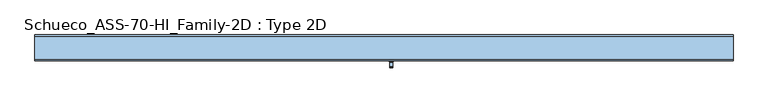
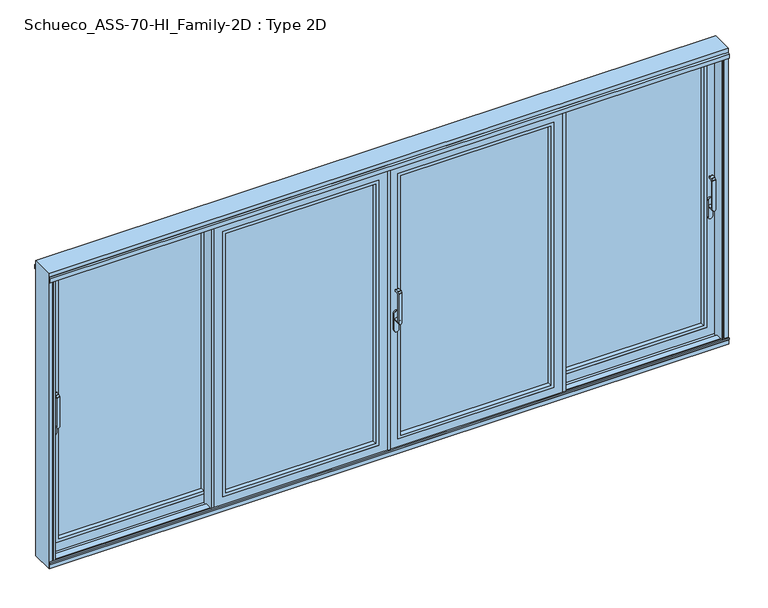
"""IFC4 building model written with IfcOpenShell, lengths in millimetres: window geometry, Schueco_ASS-70-HI_Family-2D : Type 2D."""

from ifc_helpers import new_model, si_unit, point, frame, frame_2d, origin, place, context, project, spatial, polyline, circle_curve, trimmed, segment, composite_curve, outline, extrude, faceted_brep, source, transform, mapped, element, save
from ifc_brep_helpers import plane_surface, cylinder_surface, revolved_surface, advanced_brep


def schueco_ass_70_hi_family_2d_type_2d_ecbfd956(model_context):
    return source(origin(), model_context, "Body", "SolidModel", [
        advanced_brep(
        [(-2414.9498734, 18.0325359, 1004.005052), (-2390.9498734, 18.0325359, 1004.005052), (-2390.9498734, 18.0325359, 1229.2360009), (-2414.9498734, 18.0325359, 1229.2360009), (-2414.9498734, 66.0325359, 1004.005052), (-2390.9498734, 66.0325359, 1004.005052), (-2414.9498734, 30.0325359, 1004.005052), (-2390.9498734, 30.0325359, 1004.005052), (-2390.9498734, 30.0325359, 1219.6494011), (-2390.9498734, 37.3831959, 1227.000061), (-2390.9498734, 58.0325359, 1227.000061), (-2390.9498734, 60.0325359, 1229.000061), (-2390.9498734, 60.0325359, 1240.000061), (-2390.9498734, 58.0325359, 1242.000061), (-2390.9498734, 30.796596, 1242.000061), (-2390.9498734, 29.3823825, 1241.4142746), (-2390.9498734, 18.6183224, 1230.6502145), (-2414.9498734, 18.6183224, 1230.6502145), (-2414.9498734, 29.3823825, 1241.4142746), (-2414.9498734, 30.796596, 1242.000061), (-2414.9498734, 58.0325359, 1242.000061), (-2414.9498734, 60.0325359, 1240.000061), (-2414.9498734, 60.0325359, 1229.000061), (-2414.9498734, 58.0325359, 1227.000061), (-2414.9498734, 37.3831959, 1227.000061), (-2414.9498734, 30.0325359, 1219.6494011)],
        [
            (0, 1, circle_curve(frame((-2402.9498734, 18.0325359, 1004.005052), z_axis=(0.0, -1.0, 0.0), x_axis=(1.0, 0.0, 0.0)), 12.0)),
            (1, 2),
            (2, 3),
            (3, 0),
            (4, 5, circle_curve(frame((-2402.9498734, 66.0325359, 1004.005052), z_axis=(0.0, 1.0, 0.0), x_axis=(1.0, 0.0, 0.0)), 12.0)),
            (5, 4, circle_curve(frame((-2402.9498734, 66.0325359, 1004.005052), z_axis=(0.0, 1.0, 0.0), x_axis=(1.0, 0.0, 0.0)), 12.0)),
            (0, 6),
            (6, 4),
            (5, 7),
            (7, 1),
            (6, 7, circle_curve(frame((-2402.9498734, 30.0325359, 1004.005052), z_axis=(0.0, 1.0, 0.0), x_axis=(1.0, 0.0, 0.0)), 12.0)),
            (7, 8),
            (8, 9, circle_curve(frame((-2390.9498734, 37.3831959, 1219.6494011), z_axis=(-1.0, 0.0, 0.0), x_axis=(0.0, 0.0, -1.0)), 7.35066)),
            (9, 10),
            (10, 11, circle_curve(frame((-2390.9498734, 58.0325359, 1229.000061), z_axis=(1.0, 0.0, 0.0), x_axis=(0.0, 0.0, -1.0)), 2.0)),
            (11, 12),
            (12, 13, circle_curve(frame((-2390.9498734, 58.0325359, 1240.000061), z_axis=(1.0, 0.0, 0.0), x_axis=(0.0, 0.0, -1.0)), 2.0)),
            (13, 14),
            (14, 15, circle_curve(frame((-2390.9498734, 30.796596, 1240.000061), z_axis=(1.0, 0.0, 0.0), x_axis=(0.0, 0.0, -1.0)), 2.0)),
            (15, 16),
            (16, 2, circle_curve(frame((-2390.9498734, 20.0325359, 1229.2360009), z_axis=(1.0, 0.0, 0.0), x_axis=(0.0, 0.0, -1.0)), 2.0)),
            (3, 17, circle_curve(frame((-2414.9498734, 20.0325359, 1229.2360009), z_axis=(-1.0, 0.0, 0.0), x_axis=(0.0, 0.0, -1.0)), 2.0)),
            (17, 18),
            (18, 19, circle_curve(frame((-2414.9498734, 30.796596, 1240.000061), z_axis=(-1.0, 0.0, 0.0), x_axis=(0.0, 0.0, -1.0)), 2.0)),
            (19, 20),
            (20, 21, circle_curve(frame((-2414.9498734, 58.0325359, 1240.000061), z_axis=(-1.0, 0.0, 0.0), x_axis=(0.0, 0.0, -1.0)), 2.0)),
            (21, 22),
            (22, 23, circle_curve(frame((-2414.9498734, 58.0325359, 1229.000061), z_axis=(-1.0, 0.0, 0.0), x_axis=(0.0, 0.0, -1.0)), 2.0)),
            (23, 24),
            (24, 25, circle_curve(frame((-2414.9498734, 37.3831959, 1219.6494011), z_axis=(1.0, 0.0, 0.0), x_axis=(0.0, 0.0, -1.0)), 7.35066)),
            (25, 6),
            (25, 8),
            (24, 9),
            (23, 10),
            (22, 11),
            (21, 12),
            (20, 13),
            (19, 14),
            (18, 15),
            (17, 16),
        ],
        [
            plane_surface(frame((-2390.9498734, 18.0325359, 1004.005052), z_axis=(0.0, -1.0, 0.0), x_axis=(0.0, 0.0, 1.0))),
            plane_surface(frame((-2390.9498734, 66.0325359, 1004.005052), z_axis=(0.0, 1.0, 0.0), x_axis=(0.0, 0.0, -1.0))),
            cylinder_surface(frame((-2402.9498734, 66.0325359, 1004.005052), z_axis=(0.0, -1.0, 0.0), x_axis=(1.0, 0.0, 0.0)), 12.0),
            plane_surface(frame((-2390.9498734, 18.0325359, 1009.7503433), z_axis=(1.0, 0.0, 0.0), x_axis=(0.0, 0.0, -1.0))),
            plane_surface(frame((-2414.9498734, 18.0325359, 1009.7503433), z_axis=(-1.0, 0.0, 0.0), x_axis=(0.0, 0.0, 1.0))),
            plane_surface(frame((-2390.9498734, 30.0325359, 1004.0), z_axis=(0.0, 1.0, 0.0), x_axis=(-1.0, 0.0, 0.0))),
            revolved_surface(polyline([(-2414.9498734, 37.3831959, 1212.2987411), (-2390.9498734, 37.3831959, 1212.2987411)]), (-2414.9498734, 37.3831959, 1219.6494011), (-1.0, 0.0, 0.0)),
            plane_surface(frame((-2390.9498734, 37.3831959, 1227.000061), z_axis=(0.0, 0.0, -1.0), x_axis=(-1.0, 0.0, 0.0))),
            cylinder_surface(frame((-2414.9498734, 58.0325359, 1229.000061), z_axis=(1.0, 0.0, 0.0), x_axis=(0.0, 0.0, -1.0)), 2.0),
            plane_surface(frame((-2390.9498734, 60.0325359, 1229.000061), z_axis=(0.0, 1.0, 0.0), x_axis=(-1.0, 0.0, 0.0))),
            cylinder_surface(frame((-2414.9498734, 58.0325359, 1240.000061), z_axis=(1.0, 0.0, 0.0), x_axis=(0.0, 0.0, -1.0)), 2.0),
            plane_surface(frame((-2390.9498734, 58.0325359, 1242.000061), z_axis=(0.0, 0.0, 1.0), x_axis=(-1.0, 0.0, 0.0))),
            cylinder_surface(frame((-2414.9498734, 30.796596, 1240.000061), z_axis=(1.0, 0.0, 0.0), x_axis=(0.0, 0.0, -1.0)), 2.0),
            plane_surface(frame((-2390.9498734, 29.3823825, 1241.4142746), z_axis=(0.0, -0.7071067811865422, 0.7071067811865528), x_axis=(-1.0, 0.0, 0.0))),
            cylinder_surface(frame((-2414.9498734, 20.0325359, 1229.2360009), z_axis=(1.0, 0.0, 0.0), x_axis=(0.0, 0.0, -1.0)), 2.0),
        ],
        [
            (0, [[1, 2, 3, 4]]),
            (1, [[5, 6]]),
            (2, [[-1, 7, 8, -6, 9, 10]]),
            (2, [[-5, -8, 11, -9]]),
            (3, [[-2, -10, 12, 13, 14, 15, 16, 17, 18, 19, 20, 21]]),
            (4, [[22, 23, 24, 25, 26, 27, 28, 29, 30, 31, -7, -4]]),
            (5, [[-12, -11, -31, 32]]),
            (6, [[-13, -32, -30, 33]]),
            (7, [[-14, -33, -29, 34]]),
            (8, [[-15, -34, -28, 35]]),
            (9, [[-16, -35, -27, 36]]),
            (10, [[-17, -36, -26, 37]]),
            (11, [[-18, -37, -25, 38]]),
            (12, [[-19, -38, -24, 39]]),
            (13, [[-20, -39, -23, 40]]),
            (14, [[-21, -40, -22, -3]]),
        ],
    ),
        extrude(outline(composite_curve([segment(trimmed(circle_curve(frame_2d((922.2823932, -2402.9498734)), 16.75), [point((922.2823932, -2419.6998734))], [point((922.2823932, -2386.1998734))], False, "CARTESIAN"), True, "CONTINUOUS"), segment(polyline([(922.2823932, -2386.1998734), (1049.0099288, -2386.1998734)]), True, "CONTINUOUS"), segment(trimmed(circle_curve(frame_2d((1049.0099288, -2402.9498734)), 16.75), [point((1049.0099288, -2386.1998734))], [point((1049.0099288, -2419.6998734))], False, "CARTESIAN"), True, "CONTINUOUS"), segment(polyline([(1049.0099288, -2419.6998734), (922.2823932, -2419.6998734)]), True, "CONTINUOUS")], self_intersect=False)), frame((0.0, 66.0325359, 0.0), z_axis=(0.0, 1.0, 0.0), x_axis=(0.0, 0.0, 1.0)), (0.0, 0.0, 1.0), 13.9999695),
        extrude(outline(polyline([(-1210.9983764, 144.5000663), (-1210.9983764, 150.0000331), (-1190.9984069, 150.0000331), (-1190.9984069, 65.7878516), (-1245.0, 65.7878516), (-1245.0, 80.0102415), (-1194.798472, 80.0102415), (-1194.798472, 144.5000663), (-1210.9983764, 144.5000663)])), frame((0.0, 0.0, -6.9999052), z_axis=(0.0, 0.0, 1.0), x_axis=(1.0, 0.0, 0.0)), (0.0, 0.0, 1.0), 2187.9998104),
        extrude(outline(polyline([(2114.8998417, -2384.8998417), (59.1001583, -2384.8998417), (59.1001583, -1277.1001583), (2114.8998417, -1277.1001583), (2114.8998417, -2384.8998417)]), holes=[polyline([(2092.899857, -1299.100143), (81.100143, -1299.100143), (81.100143, -2362.899857), (2092.899857, -2362.899857), (2092.899857, -1299.100143)])]), frame((0.0, 80.0102083, 0.0), z_axis=(0.0, 1.0, 0.0), x_axis=(0.0, 0.0, 1.0)), (0.0, 0.0, 1.0), 35.0222836),
        extrude(outline(polyline([(-1285.0984318, 115.0324919), (-2376.9015682, 115.0324919), (-2376.9015682, 141.0223361), (-1285.0984318, 141.0223361), (-1285.0984318, 115.0324919)])), frame((0.0, 0.0, 67.0984318), z_axis=(0.0, 0.0, 1.0), x_axis=(1.0, 0.0, 0.0)), (0.0, 0.0, 1.0), 2039.8031365),
        faceted_brep([(-2451.0016236, 144.5000331, 2181.0016236), (-2451.0016236, 150.0, 2181.0016236), (-2451.0016236, 150.0, -7.0016236), (-2451.0016236, 144.5000331, -7.0016236), (-1210.9983764, 150.0, 2181.0016236), (-1210.9983764, 150.0, -7.0016236), (-2363.0016236, 150.0, 2093.0016236), (-2363.0016236, 150.0, 80.9983764), (-1298.9983764, 150.0, 80.9983764), (-1298.9983764, 150.0, 2093.0016236), (-1210.9983764, 144.5000331, -7.0016236), (-1210.9983764, 144.5000331, 2181.0016236), (-1241.0000948, 144.5000331, 2150.9999052), (-1241.0000948, 144.5000331, 23.0000948), (-2420.9999052, 144.5000331, 23.0000948), (-2420.9999052, 144.5000331, 2150.9999052), (-2420.9999052, 85.5102083, 2150.9999052), (-2420.9999052, 85.5102083, 23.0000948), (-1241.0000948, 85.5102083, 23.0000948), (-1211.0000948, 85.5102083, 2180.9999052), (-1211.0000948, 85.5102083, -6.9999052), (-2450.9999052, 85.5102083, -6.9999052), (-2450.9999052, 85.5102083, 2180.9999052), (-1241.0000948, 85.5102083, 2150.9999052), (-2450.9999052, 80.0102083, 2180.9999052), (-2450.9999052, 80.0102083, -6.9999052), (-1211.0000948, 80.0102083, -6.9999052), (-1211.0000948, 80.0102083, 2180.9999052), (-1277.1001583, 80.0102083, 2114.8998417), (-1277.1001583, 80.0102083, 59.1001583), (-2384.8998417, 80.0102083, 59.1001583), (-2384.8998417, 80.0102083, 2114.8998417), (-2376.9015682, 141.0223361, 2106.9015682), (-2376.9015682, 115.0223361, 2106.9015682), (-2376.9015682, 115.0223361, 67.0984318), (-2376.9015682, 141.0223361, 67.0984318), (-2384.8998417, 115.0223361, 2114.8998417), (-2384.8998417, 115.0223361, 59.1001583), (-1277.1001583, 115.0223361, 59.1001583), (-1277.1001583, 115.0223361, 2114.8998417), (-1285.0984318, 115.0223361, 2106.9015682), (-1285.0984318, 115.0223361, 67.0984318), (-1285.0984318, 141.0223361, 67.0984318), (-1285.0984318, 141.0223361, 2106.9015682), (-1298.9983764, 141.0223361, 2093.0016236), (-1298.9983764, 141.0223361, 80.9983764), (-2363.0016236, 141.0223361, 80.9983764), (-2363.0016236, 141.0223361, 2093.0016236)], [[[0, 1, 2, 3]], [[4, 5, 2, 1], [6, 7, 8, 9]], [[3, 2, 5, 10]], [[0, 3, 10, 11], [12, 13, 14, 15]], [[16, 15, 14, 17]], [[17, 14, 13, 18]], [[19, 20, 21, 22], [16, 17, 18, 23]], [[24, 22, 21, 25]], [[25, 21, 20, 26]], [[24, 25, 26, 27], [28, 29, 30, 31]], [[32, 33, 34, 35]], [[36, 37, 38, 39], [40, 41, 34, 33]], [[35, 34, 41, 42]], [[32, 35, 42, 43], [44, 45, 46, 47]], [[6, 47, 46, 7]], [[7, 46, 45, 8]], [[10, 5, 4, 11]], [[18, 13, 12, 23]], [[26, 20, 19, 27]], [[42, 41, 40, 43]], [[8, 45, 44, 9]], [[38, 29, 28, 39]], [[37, 30, 29, 38]], [[36, 31, 30, 37]], [[11, 4, 1, 0]], [[23, 12, 15, 16]], [[27, 19, 22, 24]], [[43, 40, 33, 32]], [[9, 44, 47, 6]], [[39, 28, 31, 36]]]),
        advanced_brep(
        [(2414.9498734, 18.0325359, 1004.0), (2414.9498734, 18.0325359, 1229.2360009), (2390.9498734, 18.0325359, 1229.2360009), (2390.9498734, 18.0325359, 1004.0), (2414.9498734, 66.0325359, 1004.005052), (2390.9498734, 66.0325359, 1004.005052), (2390.9498734, 30.0325359, 1004.005052), (2414.9498734, 30.0325359, 1004.005052), (2390.9498734, 18.6183224, 1230.6502145), (2390.9498734, 29.3823825, 1241.4142746), (2390.9498734, 30.796596, 1242.000061), (2390.9498734, 58.0325359, 1242.000061), (2390.9498734, 60.0325359, 1240.000061), (2390.9498734, 60.0325359, 1229.000061), (2390.9498734, 58.0325359, 1227.000061), (2390.9498734, 37.3831959, 1227.000061), (2390.9498734, 30.0325359, 1219.6494011), (2414.9498734, 30.0325359, 1219.6494011), (2414.9498734, 37.3831959, 1227.000061), (2414.9498734, 58.0325359, 1227.000061), (2414.9498734, 60.0325359, 1229.000061), (2414.9498734, 60.0325359, 1240.000061), (2414.9498734, 58.0325359, 1242.000061), (2414.9498734, 30.796596, 1242.000061), (2414.9498734, 29.3823825, 1241.4142746), (2414.9498734, 18.6183224, 1230.6502145)],
        [
            (0, 1),
            (1, 2),
            (2, 3),
            (3, 0, circle_curve(frame((2402.9498734, 18.0325359, 1004.005052), z_axis=(0.0, -1.0, 0.0), x_axis=(-1.0, 0.0, 0.0)), 12.0)),
            (4, 5, circle_curve(frame((2402.9498734, 66.0325359, 1004.005052), z_axis=(0.0, 1.0, 0.0), x_axis=(-1.0, 0.0, 0.0)), 12.0)),
            (5, 4, circle_curve(frame((2402.9498734, 66.0325359, 1004.005052), z_axis=(0.0, 1.0, 0.0), x_axis=(-1.0, 0.0, 0.0)), 12.0)),
            (3, 6),
            (6, 5),
            (4, 7),
            (7, 0),
            (6, 7, circle_curve(frame((2402.9498734, 30.0325359, 1004.005052), z_axis=(0.0, 1.0, 0.0), x_axis=(-1.0, 0.0, 0.0)), 12.0)),
            (2, 8, circle_curve(frame((2390.9498734, 20.0325359, 1229.2360009), z_axis=(-1.0, 0.0, 0.0), x_axis=(0.0, 0.0, -1.0)), 2.0)),
            (8, 9),
            (9, 10, circle_curve(frame((2390.9498734, 30.796596, 1240.000061), z_axis=(-1.0, 0.0, 0.0), x_axis=(0.0, 0.0, -1.0)), 2.0)),
            (10, 11),
            (11, 12, circle_curve(frame((2390.9498734, 58.0325359, 1240.000061), z_axis=(-1.0, 0.0, 0.0), x_axis=(0.0, 0.0, -1.0)), 2.0)),
            (12, 13),
            (13, 14, circle_curve(frame((2390.9498734, 58.0325359, 1229.000061), z_axis=(-1.0, 0.0, 0.0), x_axis=(0.0, 0.0, -1.0)), 2.0)),
            (14, 15),
            (15, 16, circle_curve(frame((2390.9498734, 37.3831959, 1219.6494011), z_axis=(1.0, 0.0, 0.0), x_axis=(0.0, 0.0, -1.0)), 7.35066)),
            (16, 6),
            (7, 17),
            (17, 18, circle_curve(frame((2414.9498734, 37.3831959, 1219.6494011), z_axis=(-1.0, 0.0, 0.0), x_axis=(0.0, 0.0, -1.0)), 7.35066)),
            (18, 19),
            (19, 20, circle_curve(frame((2414.9498734, 58.0325359, 1229.000061), z_axis=(1.0, 0.0, 0.0), x_axis=(0.0, 0.0, -1.0)), 2.0)),
            (20, 21),
            (21, 22, circle_curve(frame((2414.9498734, 58.0325359, 1240.000061), z_axis=(1.0, 0.0, 0.0), x_axis=(0.0, 0.0, -1.0)), 2.0)),
            (22, 23),
            (23, 24, circle_curve(frame((2414.9498734, 30.796596, 1240.000061), z_axis=(1.0, 0.0, 0.0), x_axis=(0.0, 0.0, -1.0)), 2.0)),
            (24, 25),
            (25, 1, circle_curve(frame((2414.9498734, 20.0325359, 1229.2360009), z_axis=(1.0, 0.0, 0.0), x_axis=(0.0, 0.0, -1.0)), 2.0)),
            (16, 17),
            (15, 18),
            (14, 19),
            (13, 20),
            (12, 21),
            (11, 22),
            (10, 23),
            (9, 24),
            (8, 25),
        ],
        [
            plane_surface(frame((2390.9498734, 18.0325359, 1004.005052), z_axis=(0.0, -1.0, 0.0), x_axis=(0.0, 0.0, 1.0))),
            plane_surface(frame((2390.9498734, 66.0325359, 1004.005052), z_axis=(0.0, 1.0, 0.0), x_axis=(0.0, 0.0, -1.0))),
            cylinder_surface(frame((2402.9498734, 66.0325359, 1004.005052), z_axis=(0.0, -1.0, 0.0), x_axis=(-1.0, 0.0, 0.0)), 12.0),
            plane_surface(frame((2390.9498734, 18.0325359, 1009.7503433), z_axis=(-1.0, 0.0, 0.0), x_axis=(0.0, 0.0, -1.0))),
            plane_surface(frame((2414.9498734, 18.0325359, 1009.7503433), z_axis=(1.0, 0.0, 0.0), x_axis=(0.0, 0.0, 1.0))),
            plane_surface(frame((2390.9498734, 30.0325359, 1004.0), z_axis=(0.0, 1.0, 0.0), x_axis=(1.0, 0.0, 0.0))),
            revolved_surface(polyline([(2414.9498734, 37.3831959, 1212.2987411), (2390.9498734, 37.3831959, 1212.2987411)]), (2414.9498734, 37.3831959, 1219.6494011), (1.0, 0.0, 0.0)),
            plane_surface(frame((2390.9498734, 37.3831959, 1227.000061), z_axis=(0.0, 0.0, -1.0), x_axis=(1.0, 0.0, 0.0))),
            cylinder_surface(frame((2414.9498734, 58.0325359, 1229.000061), z_axis=(-1.0, 0.0, 0.0), x_axis=(0.0, 0.0, -1.0)), 2.0),
            plane_surface(frame((2390.9498734, 60.0325359, 1229.000061), z_axis=(0.0, 1.0, 0.0), x_axis=(1.0, 0.0, 0.0))),
            cylinder_surface(frame((2414.9498734, 58.0325359, 1240.000061), z_axis=(-1.0, 0.0, 0.0), x_axis=(0.0, 0.0, -1.0)), 2.0),
            plane_surface(frame((2390.9498734, 58.0325359, 1242.000061), z_axis=(0.0, 0.0, 1.0), x_axis=(1.0, 0.0, 0.0))),
            cylinder_surface(frame((2414.9498734, 30.796596, 1240.000061), z_axis=(-1.0, 0.0, 0.0), x_axis=(0.0, 0.0, -1.0)), 2.0),
            plane_surface(frame((2390.9498734, 29.3823825, 1241.4142746), z_axis=(0.0, -0.7071067811865422, 0.7071067811865528), x_axis=(1.0, 0.0, 0.0))),
            cylinder_surface(frame((2414.9498734, 20.0325359, 1229.2360009), z_axis=(-1.0, 0.0, 0.0), x_axis=(0.0, 0.0, -1.0)), 2.0),
        ],
        [
            (0, [[1, 2, 3, 4]]),
            (1, [[5, 6]]),
            (2, [[7, 8, -5, 9, 10, -4]]),
            (2, [[-8, 11, -9, -6]]),
            (3, [[12, 13, 14, 15, 16, 17, 18, 19, 20, 21, -7, -3]]),
            (4, [[-1, -10, 22, 23, 24, 25, 26, 27, 28, 29, 30, 31]]),
            (5, [[32, -22, -11, -21]]),
            (6, [[33, -23, -32, -20]]),
            (7, [[34, -24, -33, -19]]),
            (8, [[35, -25, -34, -18]]),
            (9, [[36, -26, -35, -17]]),
            (10, [[37, -27, -36, -16]]),
            (11, [[38, -28, -37, -15]]),
            (12, [[39, -29, -38, -14]]),
            (13, [[40, -30, -39, -13]]),
            (14, [[-2, -31, -40, -12]]),
        ],
    ),
        extrude(outline(composite_curve([segment(polyline([(922.2823932, 2419.6998734), (1049.0099288, 2419.6998734)]), True, "CONTINUOUS"), segment(trimmed(circle_curve(frame_2d((1049.0099288, 2402.9498734)), 16.75), [point((1049.0099288, 2419.6998734))], [point((1049.0099288, 2386.1998734))], False, "CARTESIAN"), True, "CONTINUOUS"), segment(polyline([(1049.0099288, 2386.1998734), (922.2823932, 2386.1998734)]), True, "CONTINUOUS"), segment(trimmed(circle_curve(frame_2d((922.2823932, 2402.9498734)), 16.75), [point((922.2823932, 2386.1998734))], [point((922.2823932, 2419.6998734))], False, "CARTESIAN"), True, "CONTINUOUS")], self_intersect=False)), frame((0.0, 66.0325359, 0.0), z_axis=(0.0, 1.0, 0.0), x_axis=(0.0, 0.0, 1.0)), (0.0, 0.0, 1.0), 13.9999695),
        extrude(outline(polyline([(1210.9983764, 144.5000663), (1194.798472, 144.5000663), (1194.798472, 80.0102415), (1245.0, 80.0102415), (1245.0, 65.7878516), (1190.9984069, 65.7878516), (1190.9984069, 150.0000331), (1210.9983764, 150.0000331), (1210.9983764, 144.5000663)])), frame((0.0, 0.0, -6.9999052), z_axis=(0.0, 0.0, 1.0), x_axis=(1.0, 0.0, 0.0)), (0.0, 0.0, 1.0), 2187.9998104),
        extrude(outline(polyline([(2114.8998417, 2384.8998417), (2114.8998417, 1277.1001583), (59.1001583, 1277.1001583), (59.1001583, 2384.8998417), (2114.8998417, 2384.8998417)]), holes=[polyline([(2092.899857, 1299.100143), (2092.899857, 2362.899857), (81.100143, 2362.899857), (81.100143, 1299.100143), (2092.899857, 1299.100143)])]), frame((0.0, 80.0102083, 0.0), z_axis=(0.0, 1.0, 0.0), x_axis=(0.0, 0.0, 1.0)), (0.0, 0.0, 1.0), 35.0222836),
        extrude(outline(polyline([(1285.0984318, 115.0324919), (1285.0984318, 141.0223361), (2376.9015682, 141.0223361), (2376.9015682, 115.0324919), (1285.0984318, 115.0324919)])), frame((0.0, 0.0, 67.0984318), z_axis=(0.0, 0.0, 1.0), x_axis=(1.0, 0.0, 0.0)), (0.0, 0.0, 1.0), 2039.8031365),
        faceted_brep([(2451.0016236, 144.5000331, 2181.0016236), (2451.0016236, 144.5000331, -7.0016236), (2451.0016236, 150.0, -7.0016236), (2451.0016236, 150.0, 2181.0016236), (1210.9983764, 150.0, 2181.0016236), (1210.9983764, 150.0, -7.0016236), (2363.0016236, 150.0, 2093.0016236), (1298.9983764, 150.0, 2093.0016236), (1298.9983764, 150.0, 80.9983764), (2363.0016236, 150.0, 80.9983764), (1210.9983764, 144.5000331, -7.0016236), (1210.9983764, 144.5000331, 2181.0016236), (1241.0000948, 144.5000331, 2150.9999052), (2420.9999052, 144.5000331, 2150.9999052), (2420.9999052, 144.5000331, 23.0000948), (1241.0000948, 144.5000331, 23.0000948), (2420.9999052, 85.5102083, 2150.9999052), (2420.9999052, 85.5102083, 23.0000948), (1241.0000948, 85.5102083, 23.0000948), (1211.0000948, 85.5102083, 2180.9999052), (2450.9999052, 85.5102083, 2180.9999052), (2450.9999052, 85.5102083, -6.9999052), (1211.0000948, 85.5102083, -6.9999052), (1241.0000948, 85.5102083, 2150.9999052), (2450.9999052, 80.0102083, 2180.9999052), (2450.9999052, 80.0102083, -6.9999052), (1211.0000948, 80.0102083, -6.9999052), (1211.0000948, 80.0102083, 2180.9999052), (1277.1001583, 80.0102083, 2114.8998417), (2384.8998417, 80.0102083, 2114.8998417), (2384.8998417, 80.0102083, 59.1001583), (1277.1001583, 80.0102083, 59.1001583), (2376.9015682, 141.0223361, 2106.9015682), (2376.9015682, 141.0223361, 67.0984318), (2376.9015682, 115.0223361, 67.0984318), (2376.9015682, 115.0223361, 2106.9015682), (2384.8998417, 115.0223361, 2114.8998417), (1277.1001583, 115.0223361, 2114.8998417), (1277.1001583, 115.0223361, 59.1001583), (2384.8998417, 115.0223361, 59.1001583), (1285.0984318, 115.0223361, 2106.9015682), (1285.0984318, 115.0223361, 67.0984318), (1285.0984318, 141.0223361, 67.0984318), (1285.0984318, 141.0223361, 2106.9015682), (1298.9983764, 141.0223361, 2093.0016236), (2363.0016236, 141.0223361, 2093.0016236), (2363.0016236, 141.0223361, 80.9983764), (1298.9983764, 141.0223361, 80.9983764)], [[[0, 1, 2, 3]], [[4, 3, 2, 5], [6, 7, 8, 9]], [[1, 10, 5, 2]], [[0, 11, 10, 1], [12, 13, 14, 15]], [[16, 17, 14, 13]], [[17, 18, 15, 14]], [[19, 20, 21, 22], [16, 23, 18, 17]], [[24, 25, 21, 20]], [[25, 26, 22, 21]], [[24, 27, 26, 25], [28, 29, 30, 31]], [[32, 33, 34, 35]], [[36, 37, 38, 39], [40, 35, 34, 41]], [[33, 42, 41, 34]], [[32, 43, 42, 33], [44, 45, 46, 47]], [[6, 9, 46, 45]], [[9, 8, 47, 46]], [[10, 11, 4, 5]], [[18, 23, 12, 15]], [[26, 27, 19, 22]], [[42, 43, 40, 41]], [[8, 7, 44, 47]], [[38, 37, 28, 31]], [[39, 38, 31, 30]], [[36, 39, 30, 29]], [[11, 0, 3, 4]], [[23, 16, 13, 12]], [[27, 24, 20, 19]], [[43, 32, 35, 40]], [[7, 6, 45, 44]], [[37, 36, 29, 28]]]),
        advanced_brep(
        [(64.0501266, -52.6493095, 1227.000061), (64.0501266, -59.9999695, 1219.6494011), (40.0501266, -59.9999695, 1219.6494011), (40.0501266, -52.6493095, 1227.000061), (64.0501266, -31.9999695, 1227.000061), (40.0501266, -31.9999695, 1227.000061), (64.0501266, -29.9999695, 1229.000061), (40.0501266, -29.9999695, 1229.000061), (64.0501266, -29.9999695, 1240.000061), (40.0501266, -29.9999695, 1240.000061), (40.0501266, -71.9999695, 1004.005052), (64.0501266, -71.9999695, 1004.005052), (64.0501266, -71.9999695, 1229.2360009), (40.0501266, -71.9999695, 1229.2360009), (40.0501266, -23.9999695, 1004.005052), (64.0501266, -23.9999695, 1004.005052), (40.0501266, -59.9999695, 1004.005052), (64.0501266, -59.9999695, 1004.005052), (64.0501266, -31.9999695, 1242.000061), (64.0501266, -59.2359094, 1242.000061), (64.0501266, -60.6501229, 1241.4142746), (64.0501266, -71.414183, 1230.6502145), (40.0501266, -71.414183, 1230.6502145), (40.0501266, -60.6501229, 1241.4142746), (40.0501266, -59.2359094, 1242.000061), (40.0501266, -31.9999695, 1242.000061)],
        [
            (0, 1, circle_curve(frame((64.0501266, -52.6493095, 1219.6494011), z_axis=(1.0, 0.0, 0.0), x_axis=(0.0, 0.0, -1.0)), 7.35066)),
            (1, 2),
            (2, 3, circle_curve(frame((40.0501266, -52.6493095, 1219.6494011), z_axis=(-1.0, 0.0, 0.0), x_axis=(0.0, 0.0, -1.0)), 7.35066)),
            (3, 0),
            (4, 0),
            (3, 5),
            (5, 4),
            (6, 4, circle_curve(frame((64.0501266, -31.9999695, 1229.000061), z_axis=(-1.0, 0.0, 0.0), x_axis=(0.0, 0.0, -1.0)), 2.0)),
            (5, 7, circle_curve(frame((40.0501266, -31.9999695, 1229.000061), z_axis=(1.0, 0.0, 0.0), x_axis=(0.0, 0.0, -1.0)), 2.0)),
            (7, 6),
            (8, 6),
            (7, 9),
            (9, 8),
            (10, 11, circle_curve(frame((52.0501266, -71.9999695, 1004.005052), z_axis=(0.0, -1.0, 0.0), x_axis=(1.0, 0.0, 0.0)), 12.0)),
            (11, 12),
            (12, 13),
            (13, 10),
            (14, 15, circle_curve(frame((52.0501266, -23.9999695, 1004.005052), z_axis=(0.0, 1.0, 0.0), x_axis=(1.0, 0.0, 0.0)), 12.0)),
            (15, 14, circle_curve(frame((52.0501266, -23.9999695, 1004.005052), z_axis=(0.0, 1.0, 0.0), x_axis=(1.0, 0.0, 0.0)), 12.0)),
            (10, 16),
            (16, 14),
            (15, 17),
            (17, 11),
            (16, 17, circle_curve(frame((52.0501266, -59.9999695, 1004.005052), z_axis=(0.0, 1.0, 0.0), x_axis=(1.0, 0.0, 0.0)), 12.0)),
            (17, 1),
            (8, 18, circle_curve(frame((64.0501266, -31.9999695, 1240.000061), z_axis=(1.0, 0.0, 0.0), x_axis=(0.0, 0.0, -1.0)), 2.0)),
            (18, 19),
            (19, 20, circle_curve(frame((64.0501266, -59.2359094, 1240.000061), z_axis=(1.0, 0.0, 0.0), x_axis=(0.0, 0.0, -1.0)), 2.0)),
            (20, 21),
            (21, 12, circle_curve(frame((64.0501266, -69.9999695, 1229.2360009), z_axis=(1.0, 0.0, 0.0), x_axis=(0.0, 0.0, -1.0)), 2.0)),
            (13, 22, circle_curve(frame((40.0501266, -69.9999695, 1229.2360009), z_axis=(-1.0, 0.0, 0.0), x_axis=(0.0, 0.0, -1.0)), 2.0)),
            (22, 23),
            (23, 24, circle_curve(frame((40.0501266, -59.2359094, 1240.000061), z_axis=(-1.0, 0.0, 0.0), x_axis=(0.0, 0.0, -1.0)), 2.0)),
            (24, 25),
            (25, 9, circle_curve(frame((40.0501266, -31.9999695, 1240.000061), z_axis=(-1.0, 0.0, 0.0), x_axis=(0.0, 0.0, -1.0)), 2.0)),
            (2, 16),
            (25, 18),
            (24, 19),
            (23, 20),
            (22, 21),
        ],
        [
            revolved_surface(polyline([(40.0501266, -52.6493095, 1212.2987411), (64.0501266, -52.6493095, 1212.2987411)]), (40.0501266, -52.6493095, 1219.6494011), (-1.0, 0.0, 0.0)),
            plane_surface(frame((64.0501266, -52.6493095, 1227.000061), z_axis=(0.0, 0.0, -1.0), x_axis=(-1.0, 0.0, 0.0))),
            cylinder_surface(frame((40.0501266, -31.9999695, 1229.000061), z_axis=(1.0, 0.0, 0.0), x_axis=(0.0, 0.0, -1.0)), 2.0),
            plane_surface(frame((64.0501266, -29.9999695, 1229.000061), z_axis=(0.0, 1.0, 0.0), x_axis=(-1.0, 0.0, 0.0))),
            plane_surface(frame((64.0501266, -71.9999695, 1004.005052), z_axis=(0.0, -1.0, 0.0), x_axis=(0.0, 0.0, 1.0))),
            plane_surface(frame((64.0501266, -23.9999695, 1004.005052), z_axis=(0.0, 1.0, 0.0), x_axis=(0.0, 0.0, -1.0))),
            cylinder_surface(frame((52.0501266, -23.9999695, 1004.005052), z_axis=(0.0, -1.0, 0.0), x_axis=(1.0, 0.0, 0.0)), 12.0),
            plane_surface(frame((64.0501266, -71.9999695, 1009.7503433), z_axis=(1.0, 0.0, 0.0), x_axis=(0.0, 0.0, -1.0))),
            plane_surface(frame((40.0501266, -71.9999695, 1009.7503433), z_axis=(-1.0, 0.0, 0.0), x_axis=(0.0, 0.0, 1.0))),
            plane_surface(frame((64.0501266, -59.9999695, 1004.0), z_axis=(0.0, 1.0, 0.0), x_axis=(-1.0, 0.0, 0.0))),
            cylinder_surface(frame((40.0501266, -31.9999695, 1240.000061), z_axis=(1.0, 0.0, 0.0), x_axis=(0.0, 0.0, -1.0)), 2.0),
            plane_surface(frame((64.0501266, -31.9999695, 1242.000061), z_axis=(0.0, 0.0, 1.0), x_axis=(-1.0, 0.0, 0.0))),
            cylinder_surface(frame((40.0501266, -59.2359094, 1240.000061), z_axis=(1.0, 0.0, 0.0), x_axis=(0.0, 0.0, -1.0)), 2.0),
            plane_surface(frame((64.0501266, -60.6501229, 1241.4142746), z_axis=(0.0, -0.7071067811865422, 0.7071067811865528), x_axis=(-1.0, 0.0, 0.0))),
            cylinder_surface(frame((40.0501266, -69.9999695, 1229.2360009), z_axis=(1.0, 0.0, 0.0), x_axis=(0.0, 0.0, -1.0)), 2.0),
        ],
        [
            (0, [[1, 2, 3, 4]]),
            (1, [[5, -4, 6, 7]]),
            (2, [[8, -7, 9, 10]]),
            (3, [[11, -10, 12, 13]]),
            (4, [[14, 15, 16, 17]]),
            (5, [[18, 19]]),
            (6, [[-14, 20, 21, -19, 22, 23]]),
            (6, [[-18, -21, 24, -22]]),
            (7, [[-15, -23, 25, -1, -5, -8, -11, 26, 27, 28, 29, 30]]),
            (8, [[31, 32, 33, 34, 35, -12, -9, -6, -3, 36, -20, -17]]),
            (9, [[-25, -24, -36, -2]]),
            (10, [[-26, -13, -35, 37]]),
            (11, [[-27, -37, -34, 38]]),
            (12, [[-28, -38, -33, 39]]),
            (13, [[-29, -39, -32, 40]]),
            (14, [[-30, -40, -31, -16]]),
        ],
    ),
        extrude(outline(composite_curve([segment(trimmed(circle_curve(frame_2d((922.2823932, 52.0501266)), 16.75), [point((922.2823932, 35.3001266))], [point((922.2823932, 68.8001266))], False, "CARTESIAN"), True, "CONTINUOUS"), segment(polyline([(922.2823932, 68.8001266), (1049.0099288, 68.8001266)]), True, "CONTINUOUS"), segment(trimmed(circle_curve(frame_2d((1049.0099288, 52.0501266)), 16.75), [point((1049.0099288, 68.8001266))], [point((1049.0099288, 35.3001266))], False, "CARTESIAN"), True, "CONTINUOUS"), segment(polyline([(1049.0099288, 35.3001266), (922.2823932, 35.3001266)]), True, "CONTINUOUS")], self_intersect=False)), frame((0.0, -23.9999695, 0.0), z_axis=(0.0, 1.0, 0.0), x_axis=(0.0, 0.0, 1.0)), (0.0, 0.0, 1.0), 13.9999695),
        extrude(outline(polyline([(2114.8998417, 70.1001583), (59.1001583, 70.1001583), (59.1001583, 1212.8998417), (2114.8998417, 1212.8998417), (2114.8998417, 70.1001583)]), holes=[polyline([(2092.899857, 1190.899857), (81.100143, 1190.899857), (81.100143, 92.100143), (2092.899857, 92.100143), (2092.899857, 1190.899857)])]), frame((0.0, -10.0222971, 0.0), z_axis=(0.0, 1.0, 0.0), x_axis=(0.0, 0.0, 1.0)), (0.0, 0.0, 1.0), 35.0222836),
        extrude(outline(polyline([(1204.9015682, 24.9999865), (78.0984318, 24.9999865), (78.0984318, 50.9898307), (1204.9015682, 50.9898307), (1204.9015682, 24.9999865)])), frame((0.0, 0.0, 67.0984318), z_axis=(0.0, 0.0, 1.0), x_axis=(1.0, 0.0, 0.0)), (0.0, 0.0, 1.0), 2039.8031365),
        extrude(outline(polyline([(1299.0015931, -10.0222971), (1279.0016236, -10.0222971), (1279.0016236, -4.5223302), (1295.201528, -4.5223302), (1295.201528, 59.9674946), (1245.0, 59.9674946), (1245.0, 74.1898845), (1299.0015931, 74.1898845), (1299.0015931, -10.0222971)])), frame((0.0, 0.0, -6.9999052), z_axis=(0.0, 0.0, 1.0), x_axis=(1.0, 0.0, 0.0)), (0.0, 0.0, 1.0), 2187.9998104),
        faceted_brep([(3.9983764, 54.4675277, 2181.0016236), (3.9983764, 59.9674946, 2181.0016236), (3.9983764, 59.9674946, -7.0016236), (3.9983764, 54.4675277, -7.0016236), (1279.0016236, 59.9674946, 2181.0016236), (1279.0016236, 59.9674946, -7.0016236), (91.9983764, 59.9674946, 2093.0016236), (91.9983764, 59.9674946, 80.9983764), (1191.0016236, 59.9674946, 80.9983764), (1191.0016236, 59.9674946, 2093.0016236), (1279.0016236, 54.4675277, -7.0016236), (1279.0016236, 54.4675277, 2181.0016236), (1248.9999052, 54.4675277, 2150.9999052), (1248.9999052, 54.4675277, 23.0000948), (34.0000948, 54.4675277, 23.0000948), (34.0000948, 54.4675277, 2150.9999052), (34.0000948, -4.5222971, 2150.9999052), (34.0000948, -4.5222971, 23.0000948), (1248.9999052, -4.5222971, 23.0000948), (1278.9999052, -4.5222971, 2180.9999052), (1278.9999052, -4.5222971, -6.9999052), (4.0000948, -4.5222971, -6.9999052), (4.0000948, -4.5222971, 2180.9999052), (1248.9999052, -4.5222971, 2150.9999052), (4.0000948, -10.0222971, 2180.9999052), (4.0000948, -10.0222971, -6.9999052), (1278.9999052, -10.0222971, -6.9999052), (1278.9999052, -10.0222971, 2180.9999052), (1212.8998417, -10.0222971, 2114.8998417), (1212.8998417, -10.0222971, 59.1001583), (70.1001583, -10.0222971, 59.1001583), (70.1001583, -10.0222971, 2114.8998417), (78.0984318, 50.9898307, 2106.9015682), (78.0984318, 24.9898307, 2106.9015682), (78.0984318, 24.9898307, 67.0984318), (78.0984318, 50.9898307, 67.0984318), (70.1001583, 24.9898307, 2114.8998417), (70.1001583, 24.9898307, 59.1001583), (1212.8998417, 24.9898307, 59.1001583), (1212.8998417, 24.9898307, 2114.8998417), (1204.9015682, 24.9898307, 2106.9015682), (1204.9015682, 24.9898307, 67.0984318), (1204.9015682, 50.9898307, 67.0984318), (1204.9015682, 50.9898307, 2106.9015682), (1191.0016236, 50.9898307, 2093.0016236), (1191.0016236, 50.9898307, 80.9983764), (91.9983764, 50.9898307, 80.9983764), (91.9983764, 50.9898307, 2093.0016236)], [[[0, 1, 2, 3]], [[4, 5, 2, 1], [6, 7, 8, 9]], [[3, 2, 5, 10]], [[0, 3, 10, 11], [12, 13, 14, 15]], [[16, 15, 14, 17]], [[17, 14, 13, 18]], [[19, 20, 21, 22], [16, 17, 18, 23]], [[24, 22, 21, 25]], [[25, 21, 20, 26]], [[24, 25, 26, 27], [28, 29, 30, 31]], [[32, 33, 34, 35]], [[36, 37, 38, 39], [40, 41, 34, 33]], [[35, 34, 41, 42]], [[32, 35, 42, 43], [44, 45, 46, 47]], [[6, 47, 46, 7]], [[7, 46, 45, 8]], [[10, 5, 4, 11]], [[18, 13, 12, 23]], [[26, 20, 19, 27]], [[42, 41, 40, 43]], [[8, 45, 44, 9]], [[38, 29, 28, 39]], [[37, 30, 29, 38]], [[36, 31, 30, 37]], [[11, 4, 1, 0]], [[23, 12, 15, 16]], [[27, 19, 22, 24]], [[43, 40, 33, 32]], [[9, 44, 47, 6]], [[39, 28, 31, 36]]]),
        extrude(outline(polyline([(9.0008592, -10.0222971), (9.0008592, -15.8324442), (-6.9991408, -15.8324442), (-6.9991408, -10.0223302), (2.2008592, -10.0223302), (2.2008592, 0.4287223), (-11.9991103, 0.4287223), (-11.9991103, 49.4287223), (2.2008592, 49.4287223), (2.2008592, 59.9674946), (-6.9991408, 59.9674946), (-6.9991408, 65.7287223), (9.0, 65.7287223), (9.0, 59.9674946), (3.9983764, 59.9674946), (3.9983764, 54.4675277), (34.0000948, 54.4675277), (34.0000948, -4.5222971), (4.0000948, -4.5222971), (4.0000948, -10.0222971), (9.0008592, -10.0222971)])), frame((0.0, 0.0, -6.9999052), z_axis=(0.0, 0.0, 1.0), x_axis=(1.0, 0.0, 0.0)), (0.0, 0.0, 1.0), 2187.9998104),
        extrude(outline(polyline([(2114.8998417, -70.1001583), (2114.8998417, -1212.8998417), (59.1001583, -1212.8998417), (59.1001583, -70.1001583), (2114.8998417, -70.1001583)]), holes=[polyline([(2092.899857, -1190.899857), (2092.899857, -92.100143), (81.100143, -92.100143), (81.100143, -1190.899857), (2092.899857, -1190.899857)])]), frame((0.0, -10.0222971, 0.0), z_axis=(0.0, 1.0, 0.0), x_axis=(0.0, 0.0, 1.0)), (0.0, 0.0, 1.0), 35.0222836),
        extrude(outline(polyline([(-1204.9015682, 24.9999865), (-1204.9015682, 50.9898307), (-78.0984318, 50.9898307), (-78.0984318, 24.9999865), (-1204.9015682, 24.9999865)])), frame((0.0, 0.0, 67.0984318), z_axis=(0.0, 0.0, 1.0), x_axis=(1.0, 0.0, 0.0)), (0.0, 0.0, 1.0), 2039.8031365),
        extrude(outline(polyline([(-1299.0015931, -10.0222971), (-1299.0015931, 74.1898845), (-1245.0, 74.1898845), (-1245.0, 59.9674946), (-1295.201528, 59.9674946), (-1295.201528, -4.5223302), (-1279.0016236, -4.5223302), (-1279.0016236, -10.0222971), (-1299.0015931, -10.0222971)])), frame((0.0, 0.0, -6.9999052), z_axis=(0.0, 0.0, 1.0), x_axis=(1.0, 0.0, 0.0)), (0.0, 0.0, 1.0), 2187.9998104),
        faceted_brep([(-3.9983764, 54.4675277, 2181.0016236), (-3.9983764, 54.4675277, -7.0016236), (-3.9983764, 59.9674946, -7.0016236), (-3.9983764, 59.9674946, 2181.0016236), (-1279.0016236, 59.9674946, 2181.0016236), (-1279.0016236, 59.9674946, -7.0016236), (-91.9983764, 59.9674946, 2093.0016236), (-1191.0016236, 59.9674946, 2093.0016236), (-1191.0016236, 59.9674946, 80.9983764), (-91.9983764, 59.9674946, 80.9983764), (-1279.0016236, 54.4675277, -7.0016236), (-1279.0016236, 54.4675277, 2181.0016236), (-1248.9999052, 54.4675277, 2150.9999052), (-34.0000948, 54.4675277, 2150.9999052), (-34.0000948, 54.4675277, 23.0000948), (-1248.9999052, 54.4675277, 23.0000948), (-34.0000948, -4.5222971, 2150.9999052), (-34.0000948, -4.5222971, 23.0000948), (-1248.9999052, -4.5222971, 23.0000948), (-1278.9999052, -4.5222971, 2180.9999052), (-4.0000948, -4.5222971, 2180.9999052), (-4.0000948, -4.5222971, -6.9999052), (-1278.9999052, -4.5222971, -6.9999052), (-1248.9999052, -4.5222971, 2150.9999052), (-4.0000948, -10.0222971, 2180.9999052), (-4.0000948, -10.0222971, -6.9999052), (-1278.9999052, -10.0222971, -6.9999052), (-1278.9999052, -10.0222971, 2180.9999052), (-1212.8998417, -10.0222971, 2114.8998417), (-70.1001583, -10.0222971, 2114.8998417), (-70.1001583, -10.0222971, 59.1001583), (-1212.8998417, -10.0222971, 59.1001583), (-78.0984318, 50.9898307, 2106.9015682), (-78.0984318, 50.9898307, 67.0984318), (-78.0984318, 24.9898307, 67.0984318), (-78.0984318, 24.9898307, 2106.9015682), (-70.1001583, 24.9898307, 2114.8998417), (-1212.8998417, 24.9898307, 2114.8998417), (-1212.8998417, 24.9898307, 59.1001583), (-70.1001583, 24.9898307, 59.1001583), (-1204.9015682, 24.9898307, 2106.9015682), (-1204.9015682, 24.9898307, 67.0984318), (-1204.9015682, 50.9898307, 67.0984318), (-1204.9015682, 50.9898307, 2106.9015682), (-1191.0016236, 50.9898307, 2093.0016236), (-91.9983764, 50.9898307, 2093.0016236), (-91.9983764, 50.9898307, 80.9983764), (-1191.0016236, 50.9898307, 80.9983764)], [[[0, 1, 2, 3]], [[4, 3, 2, 5], [6, 7, 8, 9]], [[1, 10, 5, 2]], [[0, 11, 10, 1], [12, 13, 14, 15]], [[16, 17, 14, 13]], [[17, 18, 15, 14]], [[19, 20, 21, 22], [16, 23, 18, 17]], [[24, 25, 21, 20]], [[25, 26, 22, 21]], [[24, 27, 26, 25], [28, 29, 30, 31]], [[32, 33, 34, 35]], [[36, 37, 38, 39], [40, 35, 34, 41]], [[33, 42, 41, 34]], [[32, 43, 42, 33], [44, 45, 46, 47]], [[6, 9, 46, 45]], [[9, 8, 47, 46]], [[10, 11, 4, 5]], [[18, 23, 12, 15]], [[26, 27, 19, 22]], [[42, 43, 40, 41]], [[8, 7, 44, 47]], [[38, 37, 28, 31]], [[39, 38, 31, 30]], [[36, 39, 30, 29]], [[11, 0, 3, 4]], [[23, 16, 13, 12]], [[27, 24, 20, 19]], [[43, 32, 35, 40]], [[7, 6, 45, 44]], [[37, 36, 29, 28]]]),
        extrude(outline(polyline([(2441.0160727, -10.0), (2441.0160727, 74.2712776), (2459.0321213, 74.2712776), (2459.0321213, 65.8101155), (2443.0, 65.8101155), (2443.0, -1.2), (2450.9999052, -1.2), (2450.9999052, -10.0), (2441.0160727, -10.0)])), frame((0.0, 0.0, -14.9999878), z_axis=(0.0, 0.0, 1.0), x_axis=(1.0, 0.0, 0.0)), (0.0, 0.0, 1.0), 2188.0000367),
        extrude(outline(polyline([(-2441.0160727, -10.0), (-2450.9999052, -10.0), (-2450.9999052, -1.2), (-2443.0, -1.2), (-2443.0, 65.8101155), (-2459.0321213, 65.8101155), (-2459.0321213, 74.2712776), (-2441.0160727, 74.2712776), (-2441.0160727, -10.0)])), frame((0.0, 0.0, -14.9999878), z_axis=(0.0, 0.0, 1.0), x_axis=(1.0, 0.0, 0.0)), (0.0, 0.0, 1.0), 2188.0000367),
        faceted_brep([(-2490.0, 149.9799122, 2240.0), (-2490.0, 150.0, -46.0), (-2490.0, -10.0, -46.0), (-2490.0, -10.0, 2240.0), (2490.0, -10.0, -46.0), (2490.0, -10.0, 2240.0), (2458.9999878, -10.0, 2209.0000341), (2458.9999878, -10.0, -14.9999878), (-2458.9999878, -10.0, -14.9999878), (-2458.9999878, -10.0, 2209.0000341), (2490.0, 149.9799122, 2240.0), (2490.0, 149.9799122, -46.0), (-2459.0, 149.9799122, 2209.0000341), (-2459.0, 149.9799122, -15.0), (2459.0, 149.9799122, -15.0), (2459.0, 149.9799122, 2209.0000341), (-2443.0, 48.300567, 1.0), (-2443.0, 1.7117574, 1.0), (2443.0, 1.7117574, 1.0), (2443.0, 48.300567, 1.0), (-2459.0, 141.2, -15.0), (2459.0, 141.2, -15.0), (2458.9999878, -1.2, -14.9999878), (-2458.9999878, -1.2, -14.9999878), (-2443.0, 91.6994085, 1.0), (2443.0, 91.6994085, 1.0), (2443.0, 138.300567, 1.0), (-2443.0, 138.300567, 1.0), (2450.9661267, 141.2, -6.9661267), (-2450.9661267, 141.2, -6.9661267), (-2450.9661267, 88.7999755, -6.9661267), (2450.9661267, 88.7999755, -6.9661267), (-2459.0321213, 51.2, -15.0321213), (2459.0321213, 51.2, -15.0321213), (2459.0321213, 88.7999755, -15.0321213), (-2459.0321213, 88.7999755, -15.0321213), (2450.9661267, 51.2, -6.9661267), (-2450.9661267, 51.2, -6.9661267), (-2443.0, 44.0436655, 2205.1913198), (-2443.0, 48.300567, 2205.1913198), (-2450.9661267, 51.2, 2205.1913198), (-2459.0321213, 51.2, 2205.1913198), (-2459.0321213, 88.7999755, 2205.1913198), (-2450.9661267, 88.7999755, 2205.1913198), (-2443.0, 91.6994085, 2205.1913198), (-2443.0, 95.9362468, 2205.1913198), (2443.0, 95.9362468, 2205.1913198), (2443.0, 91.6994085, 2205.1913198), (2450.9661267, 88.7999755, 2205.1913198), (2459.0321213, 88.7999755, 2205.1913198), (2459.0321213, 51.2, 2205.1913198), (2450.9661267, 51.2, 2205.1913198), (2443.0, 48.300567, 2205.1913198), (2443.0, 44.0436655, 2205.1913198), (2459.0, 141.2, 2209.0000341), (2450.9661267, 141.2, 2209.0000341), (2450.3614407, 140.9799122, 2209.0000341), (-2450.3614407, 140.9799122, 2209.0000341), (-2450.9661267, 141.2, 2209.0000341), (-2459.0, 141.2, 2209.0000341), (-2458.9999878, -1.2, 2209.0000341), (-2450.9999878, -1.2, 2209.0000341), (-2450.4504923, -1.0, 2209.0000341), (2450.4504923, -1.0, 2209.0000341), (2450.9999878, -1.2, 2209.0000341), (2458.9999878, -1.2, 2209.0000341), (-2443.0, 134.9837976, 2193.0), (-2443.0, 138.300567, 2193.0), (-2450.3614407, 140.9799122, 2193.0), (2450.3614407, 140.9799122, 2193.0), (2443.0, 138.300567, 2193.0), (2443.0, 134.9837976, 2193.0), (-2443.0, 134.9837976, 2184.2461635), (-2443.0, 138.300567, 2180.9293941), (-2443.0, 138.300567, 2173.0000489), (-2443.0, 91.6994085, 2173.0000489), (-2443.0, 91.6994085, 2180.4194362), (-2443.0, 95.9362468, 2184.6562744), (2443.0, 95.9362468, 2184.6562744), (2443.0, 91.6994085, 2180.4194362), (2443.0, 91.6994085, 2173.0000489), (2443.0, 138.300567, 2173.0000489), (2443.0, 138.300567, 2180.9293941), (2443.0, 134.9837976, 2184.2461635), (-2447.6139633, 139.9799122, 2179.2500488), (-2447.6139633, 139.9799122, 2173.0000489), (2447.6139633, 139.9799122, 2173.0000489), (2447.6139633, 139.9799122, 2179.2500488), (2446.3502391, 90.4800212, 2179.2000488), (2446.3502391, 90.4800212, 2173.0000489), (-2446.3502391, 90.4800212, 2173.0000489), (-2446.3502391, 90.4800212, 2179.2000488), (-2443.0, 48.300567, 2180.3993729), (-2446.2951159, 49.4998911, 2179.2000488), (-2446.2951159, 49.4998911, 2173.0000489), (-2443.0, 48.300567, 2173.0000489), (2443.0, 48.300567, 2173.0000489), (2446.2951159, 49.4998911, 2173.0000489), (2446.2951159, 49.4998911, 2179.2000488), (2443.0, 48.300567, 2180.3993729), (2450.9999878, -1.2, -6.9999878), (-2450.9999878, -1.2, -6.9999878), (2443.0, 1.7117574, 2173.0000489), (2443.0, 1.7117574, 2193.0), (2443.0, 4.9961146, 2193.0), (2443.0, 4.9961146, 2184.2461635), (2443.0, 1.7117574, 2180.9618063), (2443.0, 44.0436655, 2184.6562744), (-2443.0, 44.0436655, 2184.6562744), (-2443.0, 1.7117574, 2173.0000489), (-2443.0, 1.7117574, 2180.9618063), (-2443.0, 4.9961146, 2184.2461635), (-2443.0, 4.9961146, 2193.0), (-2443.0, 1.7117574, 2193.0), (2450.4504923, -1.0, 2193.0), (2447.7030149, 0.0, 2179.2500488), (2447.7030149, 0.0, 2173.0000489), (-2447.7030149, 0.0, 2173.0000489), (-2447.7030149, 0.0, 2179.2500488), (-2450.4504923, -1.0, 2193.0)], [[[0, 1, 2, 3]], [[2, 4, 5, 3], [6, 7, 8, 9]], [[0, 10, 11, 1], [12, 13, 14, 15]], [[5, 4, 11, 10]], [[16, 17, 18, 19]], [[20, 21, 14, 13]], [[8, 7, 22, 23]], [[24, 25, 26, 27]], [[26, 28, 29, 27]], [[24, 30, 31, 25]], [[32, 33, 34, 35]], [[16, 19, 36, 37]], [[5, 10, 0, 3]], [[38, 39, 40, 41, 42, 43, 44, 45, 46, 47, 48, 49, 50, 51, 52, 53]], [[15, 54, 55, 56, 57, 58, 59, 12]], [[9, 60, 61, 62, 63, 64, 65, 6]], [[66, 67, 68, 69, 70, 71]], [[1, 11, 4, 2]], [[21, 54, 15, 14]], [[13, 12, 59, 20]], [[23, 60, 9, 8]], [[7, 6, 65, 22]], [[67, 66, 72, 73]], [[27, 74, 75, 24]], [[76, 77, 45, 44]], [[47, 46, 78, 79]], [[25, 80, 81, 26]], [[82, 83, 71, 70]], [[20, 59, 58, 29, 28, 55, 54, 21]], [[29, 58, 57, 68, 67, 73, 84, 85, 74, 27]], [[26, 81, 86, 87, 82, 70, 69, 56, 55, 28]], [[31, 48, 47, 79, 88, 89, 80, 25]], [[30, 43, 42, 35, 34, 49, 48, 31]], [[24, 75, 90, 91, 76, 44, 43, 30]], [[35, 42, 41, 32]], [[33, 50, 49, 34]], [[32, 41, 40, 37, 36, 51, 50, 33]], [[37, 40, 39, 92, 93, 94, 95, 16]], [[19, 96, 97, 98, 99, 52, 51, 36]], [[22, 65, 64, 100, 101, 61, 60, 23]], [[18, 102, 96, 19]], [[103, 104, 105, 106]], [[99, 107, 53, 52]], [[17, 101, 100, 18]], [[39, 38, 108, 92]], [[16, 95, 109, 17]], [[110, 111, 112, 113]], [[100, 64, 63, 114, 103, 106, 115, 116, 102, 18]], [[17, 109, 117, 118, 110, 113, 119, 62, 61, 101]], [[53, 107, 108, 38]], [[45, 77, 78, 46]], [[56, 69, 68, 57]], [[114, 63, 62, 119]], [[119, 113, 112, 104, 103, 114]], [[112, 111, 105, 104]], [[111, 110, 118, 115, 106, 105]], [[118, 117, 116, 115]], [[117, 109, 95, 94, 97, 96, 102, 116]], [[94, 93, 98, 97]], [[93, 92, 108, 107, 99, 98]], [[77, 76, 91, 88, 79, 78]], [[91, 90, 89, 88]], [[90, 75, 74, 85, 86, 81, 80, 89]], [[85, 84, 87, 86]], [[84, 73, 72, 83, 82, 87]], [[71, 83, 72, 66]]]),
        extrude(outline(polyline([(158.5798866, 2193.0), (140.9799122, 2193.0), (140.9799122, 2209.0000341), (149.9799122, 2209.0000341), (162.5798866, 2201.7254355), (162.5798866, 2173.0000489), (158.5798866, 2173.0000489), (158.5798866, 2193.0)])), frame((-2490.0, 0.0, 0.0), z_axis=(1.0, 0.0, 0.0), x_axis=(0.0, 1.0, 0.0)), (0.0, 0.0, 1.0), 4980.0),
        extrude(outline(polyline([(-18.5999743, 2193.0), (-18.5999743, 2173.0000489), (-22.5999743, 2173.0000489), (-22.5999743, 2201.7254355), (-10.0, 2209.0000341), (-1.0, 2209.0000341), (-1.0, 2193.0), (-18.5999743, 2193.0)])), frame((-2490.0, 0.0, 0.0), z_axis=(1.0, 0.0, 0.0), x_axis=(0.0, 1.0, 0.0)), (0.0, 0.0, 1.0), 4980.0),
        extrude(outline(polyline([(-22.6000344, 0.960942), (-10.0, 0.960942), (-10.0, -46.0), (-18.0993105, -46.0), (-18.0993105, -15.3390921), (-22.6000344, -10.8383681), (-22.6000344, 0.960942)])), frame((-2490.0, 0.0, 0.0), z_axis=(1.0, 0.0, 0.0), x_axis=(0.0, 1.0, 0.0)), (0.0, 0.0, 1.0), 4980.0),
    ])


if __name__ == "__main__":
    model = new_model("IFC4")
    model_context = context("Model", 3, world=origin())
    ifc_project = project(units=[si_unit("LENGTHUNIT", "METRE", prefix="MILLI")], contexts=[model_context])
    site = spatial("IfcSite", under=ifc_project)
    building = spatial("IfcBuilding", under=site)
    placement = place(None, origin())
    schueco_ass_70_hi_family_2d_type_2d_shape = schueco_ass_70_hi_family_2d_type_2d_ecbfd956(model_context)
    element("IfcWindow", 1, ObjectType="Schueco_ASS-70-HI_Family-2D : Type 2D", at=placement, inside=building, context=model_context, shape_type="MappedRepresentation", body=[
        mapped(schueco_ass_70_hi_family_2d_type_2d_shape, transform((0.0, 0.0, 0.0), x_axis=(1.0, 0.0, 0.0), y_axis=(0.0, 1.0, 0.0), z_axis=(0.0, 0.0, 1.0))),
    ])
    save(model, "model.ifc")
